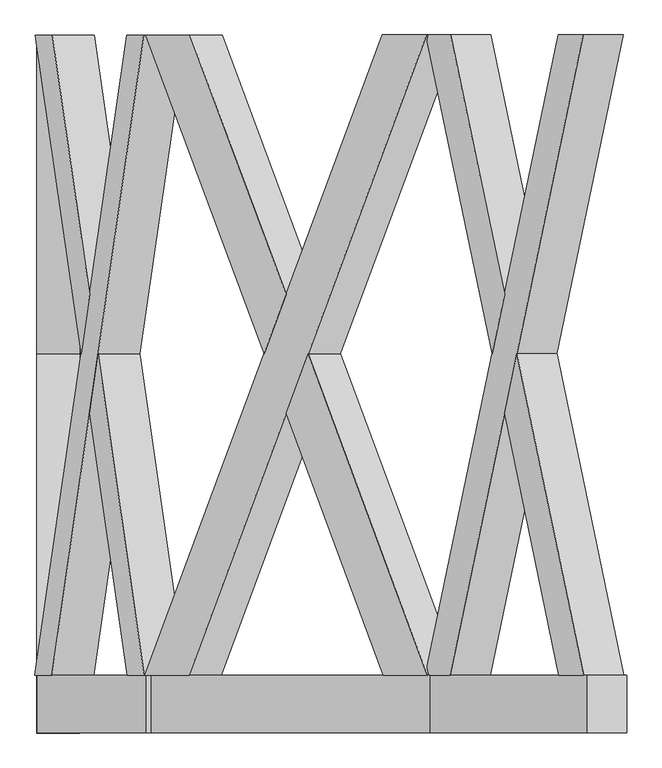
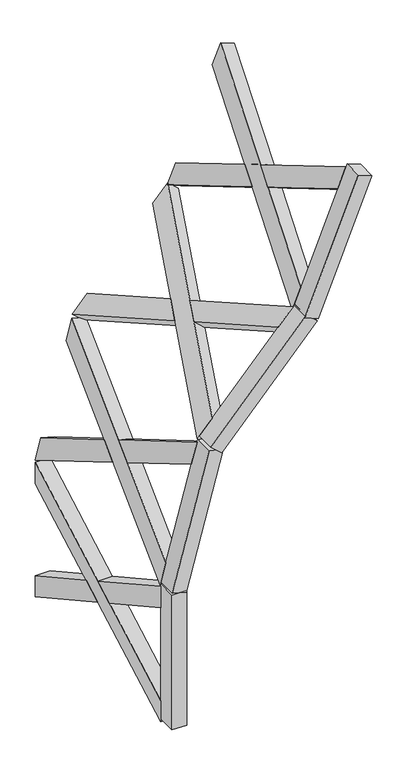
"""IFC4 building model written with IfcOpenShell, lengths in millimetres: proxy geometry."""

import ifcopenshell
import ifcopenshell.guid

model = None  # the IFC model being written
_history = None  # IfcOwnerHistory: only IFC2X3 demands one
_inside = {}  # id of a spatial element -> (the spatial element, [elements in it])
_under = {}  # id of a project, library or spatial element -> (it, [spatial elements below it])
_declared = {}  # id of a project -> (the project, [libraries it declares])
_typed = {}  # id of a type object -> (the type object, [elements of that type])
_made_of = {}  # id of a material, layer set ... -> (it, [elements and type objects made of it])


def new_model(schema):
    """Start an empty IFC model of exactly this schema.

    Asked for "IFC4X3", IfcOpenShell would pick the latest addendum, in which some entities
    have other attributes; the version numbers below select the first issue.
    IFC2X3 requires an IfcOwnerHistory on every rooted entity: one is made here for all.
    """
    global model, _history
    if schema == "IFC4X3":
        model = ifcopenshell.file(schema_version=(4, 3, 0, 0))
    else:
        model = ifcopenshell.file(schema=schema)
    _inside.clear()
    _under.clear()
    _declared.clear()
    _typed.clear()
    _made_of.clear()
    _history = None
    if model.schema == "IFC2X3":
        org = make("IfcOrganization", Name="unknown")
        user = make(
            "IfcPersonAndOrganization",
            ThePerson=make("IfcPerson", FamilyName="unknown"),
            TheOrganization=org,
        )
        app = make(
            "IfcApplication",
            ApplicationDeveloper=org,
            Version="unknown",
            ApplicationFullName="unknown",
            ApplicationIdentifier="unknown",
        )
        _history = make(
            "IfcOwnerHistory",
            OwningUser=user,
            OwningApplication=app,
            ChangeAction="ADDED",
            CreationDate=0,
        )
    return model


def make(cls, **values):
    """One entity of the class cls with the attributes given. An attribute that is None is left unset."""
    return model.create_entity(
        cls, **{name: value for name, value in values.items() if value is not None}
    )


def rooted(cls, **values):
    """An entity with a GlobalId (a new one), such as an element, a storey or a relation."""
    return make(cls, GlobalId=ifcopenshell.guid.new(), OwnerHistory=_history, **values)


def si_unit(unit_type, name, prefix=None):
    """IfcSIUnit, for example si_unit("LENGTHUNIT", "METRE", prefix="MILLI")."""
    return make("IfcSIUnit", UnitType=unit_type, Prefix=prefix, Name=name)


def assignment(units):
    """IfcUnitAssignment: the units of a project."""
    return None if units is None else make("IfcUnitAssignment", Units=units)


def point(xyz):
    """IfcCartesianPoint."""
    return None if xyz is None else make("IfcCartesianPoint", Coordinates=xyz)


def direction(xyz):
    """IfcDirection."""
    return None if xyz is None else make("IfcDirection", DirectionRatios=xyz)


def frame(location, z_axis=None, x_axis=None):
    """IfcAxis2Placement3D, a coordinate frame: its origin and axes. An axis left out is left unset."""
    return make(
        "IfcAxis2Placement3D",
        Location=point(location),
        Axis=direction(z_axis),
        RefDirection=direction(x_axis),
    )


def origin():
    """The frame at (0, 0, 0) with its axes left unset."""
    return frame((0.0, 0.0, 0.0))


def origin_with_axes():
    """The frame at (0, 0, 0) with the z axis (0, 0, 1) and the x axis (1, 0, 0) written out."""
    return frame((0.0, 0.0, 0.0), z_axis=(0.0, 0.0, 1.0), x_axis=(1.0, 0.0, 0.0))


def place(relative_to, where):
    """IfcLocalPlacement: puts the frame where relative to a parent placement (None: the world)."""
    return make(
        "IfcLocalPlacement", PlacementRelTo=relative_to, RelativePlacement=where
    )


def context(
    kind, dimensions, precision=None, world=None, true_north=None, identifier=None
):
    """IfcGeometricRepresentationContext, for example the 3D "Model" context."""
    return make(
        "IfcGeometricRepresentationContext",
        ContextIdentifier=identifier,
        ContextType=kind,
        CoordinateSpaceDimension=dimensions,
        Precision=precision,
        WorldCoordinateSystem=world,
        TrueNorth=true_north,
    )


def project(units=None, contexts=None):
    """IfcProject with its units and contexts."""
    return rooted(
        "IfcProject",
        Name="project",
        RepresentationContexts=contexts,
        UnitsInContext=assignment(units),
    )


def spatial(cls, under=None, at=None, **own):
    """A site, building, storey or space (cls), placed at a placement, below another one or the project."""
    s = rooted(cls, ObjectPlacement=at, **own)
    if under is not None:
        _under.setdefault(under.id(), (under, []))[1].append(s)
    return s


def polyline(points):
    """IfcPolyline through the points."""
    return make("IfcPolyline", Points=[point(p) for p in points])


def outline(outer, holes=None, kind="AREA"):
    """IfcArbitraryClosedProfileDef: a profile drawn as a closed curve; with holes, ...WithVoids."""
    if holes is None:
        return make("IfcArbitraryClosedProfileDef", ProfileType=kind, OuterCurve=outer)
    return make(
        "IfcArbitraryProfileDefWithVoids",
        ProfileType=kind,
        OuterCurve=outer,
        InnerCurves=holes,
    )


def extrude(swept, where, along, depth):
    """IfcExtrudedAreaSolid: the profile swept, set in the frame where, extruded along a direction by depth."""
    return make(
        "IfcExtrudedAreaSolid",
        SweptArea=swept,
        Position=where,
        ExtrudedDirection=direction(along),
        Depth=depth,
    )


def faces_of(points, faces, orient=None, outer=None):
    """IfcFace entities. A face is a list of loops; a loop is a list of indices into points, from 0.

    orient and outer hold one flag for each loop. By default every Orientation is true, the
    first loop of a face is its IfcFaceOuterBound and the others are IfcFaceBound.
    """
    made = []
    for i, loops in enumerate(faces):
        bounds = []
        for j, loop in enumerate(loops):
            is_outer = j == 0 if outer is None else outer[i][j]
            bounds.append(
                make(
                    "IfcFaceOuterBound" if is_outer else "IfcFaceBound",
                    Bound=make("IfcPolyLoop", Polygon=[points[k] for k in loop]),
                    Orientation=True if orient is None else orient[i][j],
                )
            )
        made.append(make("IfcFace", Bounds=bounds))
    return made


def faceted_brep(points, faces, orient=None, outer=None, voids=None):
    """IfcFacetedBrep: a solid bounded by flat faces; with voids (closed shells), ...WithVoids."""
    shared = [point(p) for p in points]
    hull = make("IfcClosedShell", CfsFaces=faces_of(shared, faces, orient, outer))
    if voids is None:
        return make("IfcFacetedBrep", Outer=hull)
    return make(
        "IfcFacetedBrepWithVoids",
        Outer=hull,
        Voids=[
            make(cls, CfsFaces=faces_of(shared, fs, o, b)) for cls, fs, o, b in voids
        ],
    )


def shape(context_of_items, identifier, shape_type, items):
    """IfcShapeRepresentation: the items that make up one representation, for example the "Body"."""
    return make(
        "IfcShapeRepresentation",
        ContextOfItems=context_of_items,
        RepresentationIdentifier=identifier,
        RepresentationType=shape_type,
        Items=items,
    )


def source(mapping_origin, context_of_items, identifier, shape_type, items):
    """IfcRepresentationMap: a shape defined once, which mapped items show again and again."""
    return make(
        "IfcRepresentationMap",
        MappingOrigin=mapping_origin,
        MappedRepresentation=shape(context_of_items, identifier, shape_type, items),
    )


def transform(
    local_origin,
    x_axis=None,
    y_axis=None,
    z_axis=None,
    scale=None,
    scale2=None,
    scale3=None,
    uniform=True,
):
    """IfcCartesianTransformationOperator3D, or its non-uniform kind. x_axis, y_axis, z_axis: its Axis1, 2, 3."""
    if uniform:
        return make(
            "IfcCartesianTransformationOperator3D",
            Axis1=direction(x_axis),
            Axis2=direction(y_axis),
            LocalOrigin=point(local_origin),
            Scale=scale,
            Axis3=direction(z_axis),
        )
    return make(
        "IfcCartesianTransformationOperator3DnonUniform",
        Axis1=direction(x_axis),
        Axis2=direction(y_axis),
        LocalOrigin=point(local_origin),
        Scale=scale,
        Axis3=direction(z_axis),
        Scale2=scale2,
        Scale3=scale3,
    )


def mapped(mapping_source, mapping_target):
    """IfcMappedItem: shows the shape of a source again, moved by a transform."""
    return make(
        "IfcMappedItem", MappingSource=mapping_source, MappingTarget=mapping_target
    )


def made_of(thing, what):
    """Note that an element or type object is made of a material, layer set ...; save() writes the relation."""
    if what is not None:
        _made_of.setdefault(what.id(), (what, []))[1].append(thing)
    return thing


def element(
    cls,
    number,
    at=None,
    inside=None,
    cuts=None,
    type_object=None,
    material=None,
    context=None,
    identifier="Body",
    shape_type=None,
    held_by="IfcProductDefinitionShape",
    body=None,
    shapes=None,
    **own,
):
    """One element of the class cls, such as IfcWall. Its Tag is "e" and its number.

    at: its placement. inside: the storey or other place that contains it. cuts: it is an
    opening in that element (IfcRelVoidsElement). A single representation is given by context,
    identifier, shape_type and body (its items); several are given by shapes. held_by: the class
    of the entity that holds the representations. save() writes the other relations.
    """
    e = rooted(cls, Tag="e%d" % number, ObjectPlacement=at, **own)
    if body is not None:
        shapes = [shape(context, identifier, shape_type, body)]
    if shapes is not None:
        e.Representation = make(held_by, Representations=shapes)
    if inside is not None:
        _inside.setdefault(inside.id(), (inside, []))[1].append(e)
    if cuts is not None:
        rooted(
            "IfcRelVoidsElement", RelatingBuildingElement=cuts, RelatedOpeningElement=e
        )
    if type_object is not None:
        _typed.setdefault(type_object.id(), (type_object, []))[1].append(e)
    return made_of(e, material)


def aggregate(whole, parts):
    """IfcRelAggregates: a whole, such as a stair, and the parts it consists of."""
    return rooted("IfcRelAggregates", RelatingObject=whole, RelatedObjects=parts)


def save(model, path):
    """Write the relations noted so far, then the file.

    IfcRelAggregates (storeys below a building ...), IfcRelContainedInSpatialStructure (elements
    in a storey), IfcRelDefinesByType, IfcRelAssociatesMaterial and IfcRelDeclares: one each for
    every whole, place, type object, material and project.
    """
    for whole, parts in _under.values():
        aggregate(whole, parts)
    for where, things in _inside.values():
        rooted(
            "IfcRelContainedInSpatialStructure",
            RelatedElements=things,
            RelatingStructure=where,
        )
    for kind, things in _typed.values():
        rooted("IfcRelDefinesByType", RelatedObjects=things, RelatingType=kind)
    for what, things in _made_of.values():
        rooted("IfcRelAssociatesMaterial", RelatedObjects=things, RelatingMaterial=what)
    for by, libraries in _declared.values():
        rooted("IfcRelDeclares", RelatingContext=by, RelatedDefinitions=libraries)
    model.write(path)


def generic_models_1a3059f5(model_context):
    return source(origin(), model_context, "Body", "SolidModel", [
        faceted_brep([(1960.7450551, 100.0, 5254.7836881), (1875.0834606, 100.0, 5042.7638017), (1414.1709514, 2319.6837757, 3901.9653095), (1499.8325459, 2319.6837757, 4113.9851958), (1275.0933732, 2319.6837757, 3958.1562985), (1504.6615202, 1214.1188776, 4526.3574011), (1547.4923174, 1420.3854116, 4632.3673443), (1360.7549677, 2319.6837757, 4170.1761849), (1821.6674769, 100.0, 5310.9746771), (1590.3231147, 1214.1188776, 4738.3772875), (1547.4923174, 1007.8523437, 4632.3673443), (1736.0058824, 100.0, 5098.9547907), (1617.0311065, 1007.8523437, 4604.2718498), (1574.2003093, 1214.1188776, 4498.2619066), (1617.0311065, 1420.3854116, 4604.2718498), (1659.8619038, 1214.1188776, 4710.281793)], [[[0, 1, 2, 3]], [[4, 5, 6, 7]], [[8, 9, 10, 11]], [[0, 8, 11, 1]], [[1, 11, 10, 12, 13, 5, 4, 2]], [[2, 4, 7, 3]], [[3, 7, 6, 14, 15, 9, 8, 0]], [[13, 12, 15, 14]], [[12, 10, 9, 15]], [[14, 6, 5, 13]]]),
        faceted_brep([(1412.3947361, 100.0, 3897.5690225), (1643.7390984, 1214.1188776, 4470.1664121), (1686.5698956, 1007.8523437, 4576.1763553), (1498.0563306, 100.0, 4109.5889088), (1958.9688399, 2319.6837757, 5250.3874011), (1729.4006929, 1214.1188776, 4682.1862984), (1686.5698956, 1420.3854116, 4576.1763553), (1873.3072454, 2319.6837757, 5038.3675147), (1273.3171579, 100.0, 3953.7600115), (1358.9787524, 100.0, 4165.7798978), (1819.8912617, 2319.6837757, 5306.5783901), (1734.2296672, 2319.6837757, 5094.5585037), (1617.0311065, 1007.8523437, 4604.2718498), (1659.8619038, 1214.1188776, 4710.281793), (1617.0311065, 1420.3854116, 4604.2718498), (1574.2003093, 1214.1188776, 4498.2619066)], [[[0, 1, 2, 3]], [[4, 5, 6, 7]], [[8, 9, 10, 11]], [[3, 9, 8, 0]], [[9, 3, 2, 12, 13, 5, 4, 10]], [[7, 11, 10, 4]], [[11, 7, 6, 14, 15, 1, 0, 8]], [[13, 12, 15, 14]], [[12, 2, 1, 15]], [[14, 6, 5, 13]]]),
        extrude(outline(polyline([(-148.3871943, 0.0), (-348.3871943, 0.0), (-348.3871943, 150.0), (-148.3871943, 150.0), (-148.3871943, 0.0)])), frame((1424.3452802, 248.3871943, 3927.1476571), z_axis=(0.37460659341591623, 0.0, 0.9271838545667858), x_axis=(0.0, 1.0, 0.0)), (0.0, 0.0, 1.0), 1460.0),
        faceted_brep([(1391.7408436, 100.0, 3884.1771644), (1238.7302035, 100.0, 3714.2416326), (415.4380559, 2319.6837757, 2799.8830701), (568.448696, 2319.6837757, 2969.818602), (303.9663321, 2319.6837757, 2900.2526611), (714.0260483, 1214.1188776, 3355.6701138), (790.5313684, 1420.3854116, 3440.6378797), (456.9769722, 2319.6837757, 3070.1881929), (1280.2691198, 100.0, 3984.5467554), (867.0366885, 1214.1188776, 3525.6056456), (790.5313684, 1007.8523437, 3440.6378797), (1127.2584796, 100.0, 3814.6112235), (846.2672303, 1007.8523437, 3390.4530842), (769.7619102, 1214.1188776, 3305.4853183), (846.2672303, 1420.3854116, 3390.4530842), (922.7725504, 1214.1188776, 3475.4208501)], [[[0, 1, 2, 3]], [[4, 5, 6, 7]], [[8, 9, 10, 11]], [[0, 8, 11, 1]], [[1, 11, 10, 12, 13, 5, 4, 2]], [[2, 4, 7, 3]], [[3, 7, 6, 14, 15, 9, 8, 0]], [[13, 12, 15, 14]], [[12, 10, 9, 15]], [[14, 6, 5, 13]]]),
        faceted_brep([(412.2653408, 100.0, 2796.359413), (825.4977721, 1214.1188776, 3255.3005228), (902.0030922, 1007.8523437, 3340.2682887), (565.275981, 100.0, 2966.2949449), (1388.5681285, 2319.6837757, 3880.6535074), (978.5084123, 1214.1188776, 3425.2360547), (902.0030922, 1420.3854116, 3340.2682887), (1235.5574884, 2319.6837757, 3710.7179755), (300.793617, 100.0, 2896.729004), (453.8042571, 100.0, 3066.6645358), (1277.0964047, 2319.6837757, 3981.0230983), (1124.0857646, 2319.6837757, 3811.0875665), (846.2672303, 1007.8523437, 3390.4530842), (922.7725504, 1214.1188776, 3475.4208501), (846.2672303, 1420.3854116, 3390.4530842), (769.7619102, 1214.1188776, 3305.4853183)], [[[0, 1, 2, 3]], [[4, 5, 6, 7]], [[8, 9, 10, 11]], [[3, 9, 8, 0]], [[9, 3, 2, 12, 13, 5, 4, 10]], [[7, 11, 10, 4]], [[11, 7, 6, 14, 15, 1, 0, 8]], [[13, 12, 15, 14]], [[12, 2, 1, 15]], [[14, 6, 5, 13]]]),
        extrude(outline(polyline([(-148.3871943, 0.0), (-348.3871943, 0.0), (-348.3871943, 150.0000001), (-148.3871943, 150.0000001), (-148.3871943, 0.0)])), frame((433.6116678, 248.3871943, 2820.0669109), z_axis=(0.669130606358861, 0.0, 0.7431448254773918), x_axis=(0.0, 1.0, 0.0)), (0.0, 0.0, 1.0), 1460.0),
        faceted_brep([(443.0478379, 100.0, 2823.6992933), (383.8634763, 100.0, 2602.8202488), (65.4149022, 2319.6837757, 1414.3539907), (124.5992638, 2319.6837757, 1635.2330352), (-79.4739718, 2319.6837757, 1453.1768474), (79.1367138, 1214.1188776, 2045.1199845), (108.7288946, 1420.3854116, 2155.5595068), (-20.2896101, 2319.6837757, 1674.055892), (298.158964, 100.0, 2862.5221501), (138.3210754, 1214.1188776, 2265.9990291), (108.7288946, 1007.8523437, 2155.5595068), (238.9746023, 100.0, 2641.6431055), (181.1733316, 1007.8523437, 2136.1480784), (151.5811508, 1214.1188776, 2025.7085561), (181.1733316, 1420.3854116, 2136.1480784), (210.7655124, 1214.1188776, 2246.5876007)], [[[0, 1, 2, 3]], [[4, 5, 6, 7]], [[8, 9, 10, 11]], [[0, 8, 11, 1]], [[1, 11, 10, 12, 13, 5, 4, 2]], [[2, 4, 7, 3]], [[3, 7, 6, 14, 15, 9, 8, 0]], [[13, 12, 15, 14]], [[12, 10, 9, 15]], [[14, 6, 5, 13]]]),
        faceted_brep([(64.1876992, 100.0, 1409.7740067), (224.0255877, 1214.1188776, 2006.2971277), (253.6177685, 1007.8523437, 2116.73665), (123.3720608, 100.0, 1630.6530513), (441.8206349, 2319.6837757, 2819.1193094), (283.2099493, 1214.1188776, 2227.1761723), (253.6177685, 1420.3854116, 2116.73665), (382.6362733, 2319.6837757, 2598.2402648), (-80.7011748, 100.0, 1448.5968635), (-21.5168131, 100.0, 1669.475908), (296.931761, 2319.6837757, 2857.9421661), (237.7473993, 2319.6837757, 2637.0631216), (181.1733316, 1007.8523437, 2136.1480784), (210.7655124, 1214.1188776, 2246.5876007), (181.1733316, 1420.3854116, 2136.1480784), (151.5811508, 1214.1188776, 2025.7085561)], [[[0, 1, 2, 3]], [[4, 5, 6, 7]], [[8, 9, 10, 11]], [[3, 9, 8, 0]], [[9, 3, 2, 12, 13, 5, 4, 10]], [[7, 11, 10, 4]], [[11, 7, 6, 14, 15, 1, 0, 8]], [[13, 12, 15, 14]], [[12, 2, 1, 15]], [[14, 6, 5, 13]]]),
        extrude(outline(polyline([(-148.3871943, 0.0), (-348.3871943, 0.0), (-348.3871943, 150.0000001), (-148.3871943, 150.0000001), (-148.3871943, 0.0)])), frame((72.444437, 248.3871943, 1440.5885716), z_axis=(0.2588190451025221, 0.0, 0.965925826289068), x_axis=(0.0, 1.0, 0.0)), (0.0, 0.0, 1.0), 1460.0),
        faceted_brep([(75.0, 100.0, 1431.9015851), (75.0, 100.0, 1203.2307715), (75.0, 2319.6837757, -27.1600368), (75.0, 2319.6837757, 201.5107768), (-75.0, 2319.6837757, -27.1600368), (-75.0, 1214.1188776, 585.6645932), (-75.0, 1420.3854116, 700.0), (-75.0, 2319.6837757, 201.5107768), (-75.0, 100.0, 1431.9015851), (-75.0, 1214.1188776, 814.3354068), (-75.0, 1007.8523437, 700.0), (-75.0, 100.0, 1203.2307715), (0.0, 1007.8523437, 700.0), (0.0, 1214.1188776, 585.6645932), (0.0, 1420.3854116, 700.0), (0.0, 1214.1188776, 814.3354068)], [[[0, 1, 2, 3]], [[4, 5, 6, 7]], [[8, 9, 10, 11]], [[0, 8, 11, 1]], [[1, 11, 10, 12, 13, 5, 4, 2]], [[2, 4, 7, 3]], [[3, 7, 6, 14, 15, 9, 8, 0]], [[13, 12, 15, 14]], [[12, 10, 9, 15]], [[14, 6, 5, 13]]]),
        faceted_brep([(75.0, 100.0, -31.9015851), (75.0, 1214.1188776, 585.6645932), (75.0, 1007.8523437, 700.0), (75.0, 100.0, 196.7692285), (75.0, 2319.6837757, 1427.1600368), (75.0, 1214.1188776, 814.3354068), (75.0, 1420.3854116, 700.0), (75.0, 2319.6837757, 1198.4892232), (-75.0, 100.0, -31.9015851), (-75.0, 100.0, 196.7692285), (-75.0, 2319.6837757, 1427.1600368), (-75.0, 2319.6837757, 1198.4892232), (0.0, 1007.8523437, 700.0), (0.0, 1214.1188776, 814.3354068), (0.0, 1420.3854116, 700.0), (0.0, 1214.1188776, 585.6645932)], [[[0, 1, 2, 3]], [[4, 5, 6, 7]], [[8, 9, 10, 11]], [[3, 9, 8, 0]], [[9, 3, 2, 12, 13, 5, 4, 10]], [[7, 11, 10, 4]], [[11, 7, 6, 14, 15, 1, 0, 8]], [[13, 12, 15, 14]], [[12, 2, 1, 15]], [[14, 6, 5, 13]]]),
        extrude(outline(polyline([(75.0, 100.0), (75.0, -100.0), (-75.0, -100.0), (-75.0, 100.0), (75.0, 100.0)])), origin_with_axes(), (0.0, 0.0, 1.0), 1460.0),
    ])


if __name__ == "__main__":
    model = new_model("IFC4")
    model_context = context("Model", 3, world=origin())
    ifc_project = project(units=[si_unit("LENGTHUNIT", "METRE", prefix="MILLI")], contexts=[model_context])
    site = spatial("IfcSite", under=ifc_project)
    building = spatial("IfcBuilding", under=site)
    placement = place(None, origin())
    generic_models_shape = generic_models_1a3059f5(model_context)
    element("IfcBuildingElementProxy", 1, Name="Generic Models", at=placement, inside=building, context=model_context, shape_type="MappedRepresentation", body=[
        mapped(generic_models_shape, transform((0.0, 0.0, 0.0), x_axis=(1.0, 0.0, 0.0), y_axis=(0.0, 1.0, 0.0), z_axis=(0.0, 0.0, 1.0))),
    ])
    save(model, "model.ifc")
